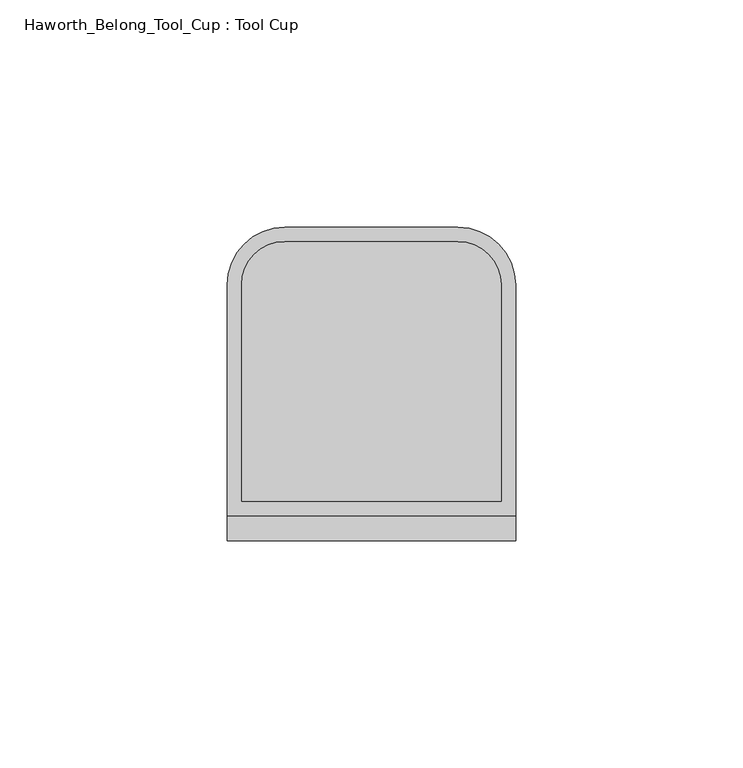
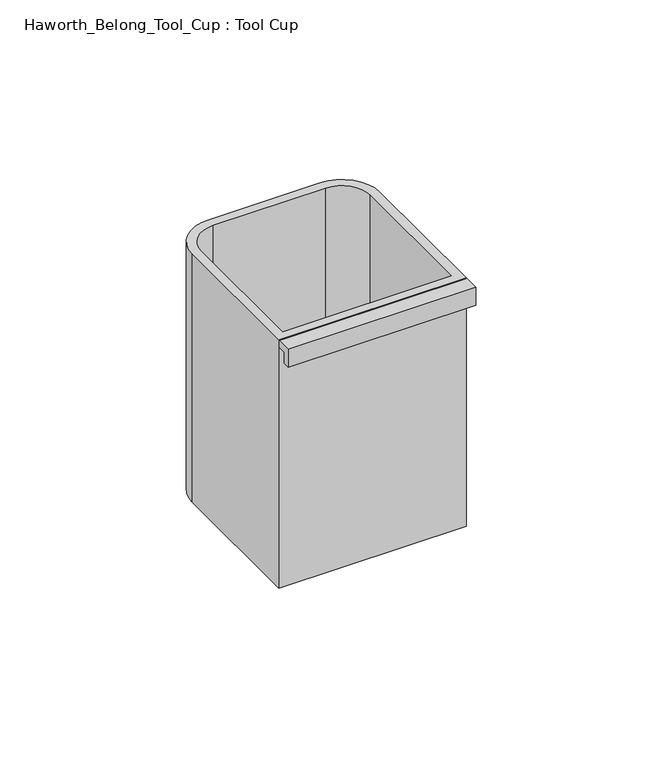
"""IFC4 building model written with IfcOpenShell, lengths in millimetres: furniture geometry, Haworth_Belong_Tool_Cup : Tool Cup."""

from ifc_helpers import new_model, si_unit, frame, origin, place, context, project, spatial, polyline, circle_curve, outline, extrude, source, transform, mapped, element, save
from ifc_brep_helpers import plane_surface, cylinder_surface, revolved_surface, advanced_brep


def haworth_belong_tool_cup_tool_cup_d6d42e5e(model_context):
    return source(origin(), model_context, "Body", "SolidModel", [
        advanced_brep(
        [(133.35, 50.8, 88.9), (133.35, 0.0, 88.9), (196.85, 0.0, 88.9), (196.85, 50.8, 88.9), (184.15, 63.5, 88.9), (146.05, 63.5, 88.9), (193.675, 3.175, 88.9), (136.525, 3.175, 88.9), (136.525, 50.8, 88.9), (146.05, 60.325, 88.9), (184.15, 60.325, 88.9), (193.675, 50.8, 88.9), (196.85, 50.8, 0.0), (196.85, 0.0, 0.0), (133.35, 0.0, 0.0), (133.35, 50.8, 0.0), (146.05, 63.5, 0.0), (184.15, 63.5, 0.0), (193.675, 50.8, 3.175), (193.675, 3.175, 3.175), (184.15, 60.325, 3.175), (146.05, 60.325, 3.175), (136.525, 50.8, 3.175), (136.525, 3.175, 3.175)],
        [
            (0, 1),
            (1, 2),
            (2, 3),
            (3, 4, circle_curve(frame((184.15, 50.8, 88.9), z_axis=(0.0, 0.0, 1.0), x_axis=(1.0, 0.0, 0.0)), 12.7)),
            (4, 5),
            (5, 0, circle_curve(frame((146.05, 50.8, 88.9), z_axis=(0.0, 0.0, 1.0), x_axis=(1.0, 0.0, 0.0)), 12.7)),
            (6, 7),
            (7, 8),
            (8, 9, circle_curve(frame((146.05, 50.8, 88.9), z_axis=(0.0, 0.0, -1.0), x_axis=(1.0, 0.0, 0.0)), 9.525)),
            (9, 10),
            (10, 11, circle_curve(frame((184.15, 50.8, 88.9), z_axis=(0.0, 0.0, -1.0), x_axis=(1.0, 0.0, 0.0)), 9.525)),
            (11, 6),
            (12, 13),
            (13, 14),
            (14, 15),
            (15, 16, circle_curve(frame((146.05, 50.8, 0.0), z_axis=(0.0, 0.0, -1.0), x_axis=(1.0, 0.0, 0.0)), 12.7)),
            (16, 17),
            (17, 12, circle_curve(frame((184.15, 50.8, 0.0), z_axis=(0.0, 0.0, -1.0), x_axis=(1.0, 0.0, 0.0)), 12.7)),
            (14, 1),
            (0, 15),
            (5, 16),
            (4, 17),
            (3, 12),
            (2, 13),
            (11, 18),
            (18, 19),
            (19, 6),
            (10, 20),
            (20, 18, circle_curve(frame((184.15, 50.8, 3.175), z_axis=(0.0, 0.0, -1.0), x_axis=(1.0, 0.0, 0.0)), 9.525)),
            (9, 21),
            (21, 20),
            (8, 22),
            (22, 21, circle_curve(frame((146.05, 50.8, 3.175), z_axis=(0.0, 0.0, -1.0), x_axis=(1.0, 0.0, 0.0)), 9.525)),
            (7, 23),
            (23, 22),
            (19, 23),
        ],
        [
            plane_surface(frame((133.35, 3.175, 88.9), z_axis=(0.0, 0.0, 1.0), x_axis=(0.0, 1.0, 0.0))),
            plane_surface(frame((133.35, 3.175, 0.0), z_axis=(0.0, 0.0, -1.0), x_axis=(0.0, -1.0, 0.0))),
            plane_surface(frame((133.35, 3.175, 88.9), z_axis=(-1.0, 0.0, 0.0), x_axis=(0.0, 0.0, -1.0))),
            cylinder_surface(frame((146.05, 50.8, 0.0), z_axis=(0.0, 0.0, 1.0), x_axis=(1.0, 0.0, 0.0)), 12.7),
            plane_surface(frame((146.05, 63.5, 88.9), z_axis=(0.0, 1.0, 0.0), x_axis=(0.0, 0.0, -1.0))),
            cylinder_surface(frame((184.15, 50.8, 0.0), z_axis=(0.0, 0.0, 1.0), x_axis=(1.0, 0.0, 0.0)), 12.7),
            plane_surface(frame((196.85, 50.8, 88.9), z_axis=(1.0, 0.0, 0.0), x_axis=(0.0, 0.0, -1.0))),
            plane_surface(frame((193.675, 3.175, 88.9), z_axis=(-1.0, 0.0, 0.0), x_axis=(0.0, 0.0, -1.0))),
            revolved_surface(polyline([(193.675, 50.8, 3.175), (193.675, 50.8, 88.9)]), (184.15, 50.8, 0.0), (0.0, 0.0, -1.0)),
            plane_surface(frame((184.15, 60.325, 88.9), z_axis=(0.0, -1.0, 0.0), x_axis=(0.0, 0.0, -1.0))),
            revolved_surface(polyline([(155.57500000000002, 50.8, 3.175), (155.57500000000002, 50.8, 88.9)]), (146.05, 50.8, 0.0), (0.0, 0.0, -1.0)),
            plane_surface(frame((136.525, 50.8, 88.9), z_axis=(1.0, 0.0, 0.0), x_axis=(0.0, 0.0, -1.0))),
            plane_surface(frame((196.85, 0.0, 88.9), z_axis=(0.0, -1.0, 0.0), x_axis=(0.0, 0.0, -1.0))),
            plane_surface(frame((133.35, 3.175, 88.9), z_axis=(0.0, 1.0, 0.0), x_axis=(0.0, 0.0, -1.0))),
            plane_surface(frame((136.525, 3.175, 3.175), z_axis=(0.0, 0.0, 1.0), x_axis=(-1.0, 0.0, 0.0))),
        ],
        [
            (0, [[1, 2, 3, 4, 5, 6], [7, 8, 9, 10, 11, 12]]),
            (1, [[13, 14, 15, 16, 17, 18]]),
            (2, [[-15, 19, -1, 20]]),
            (3, [[21, -16, -20, -6]]),
            (4, [[22, -17, -21, -5]]),
            (5, [[23, -18, -22, -4]]),
            (6, [[-3, 24, -13, -23]]),
            (7, [[25, 26, 27, -12]]),
            (8, [[28, 29, -25, -11]]),
            (9, [[30, 31, -28, -10]]),
            (10, [[32, 33, -30, -9]]),
            (11, [[34, 35, -32, -8]]),
            (12, [[-19, -14, -24, -2]]),
            (13, [[-27, 36, -34, -7]]),
            (14, [[-29, -31, -33, -35, -36, -26]]),
        ],
    ),
        extrude(outline(polyline([(-3.175, 86.51875), (-3.175, 82.55), (-5.55625, 82.55), (-5.55625, 88.9), (0.0, 88.9), (0.0, 86.51875), (-3.175, 86.51875)])), frame((133.35, 0.0, 0.0), z_axis=(1.0, 0.0, 0.0), x_axis=(0.0, 1.0, 0.0)), (0.0, 0.0, 1.0), 63.5),
    ])


if __name__ == "__main__":
    model = new_model("IFC4")
    model_context = context("Model", 3, world=origin())
    ifc_project = project(units=[si_unit("LENGTHUNIT", "METRE", prefix="MILLI")], contexts=[model_context])
    site = spatial("IfcSite", under=ifc_project)
    building = spatial("IfcBuilding", under=site)
    placement = place(None, origin())
    haworth_belong_tool_cup_tool_cup_shape = haworth_belong_tool_cup_tool_cup_d6d42e5e(model_context)
    element("IfcFurniture", 1, ObjectType="Haworth_Belong_Tool_Cup : Tool Cup", at=placement, inside=building, context=model_context, shape_type="MappedRepresentation", body=[
        mapped(haworth_belong_tool_cup_tool_cup_shape, transform((0.0, 0.0, 0.0), x_axis=(1.0, 0.0, 0.0), y_axis=(0.0, 1.0, 0.0), z_axis=(0.0, 0.0, 1.0))),
    ])
    save(model, "model.ifc")
